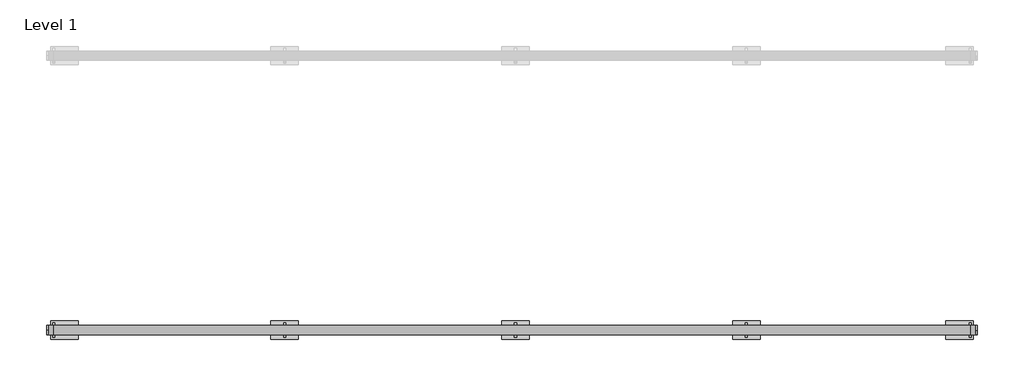
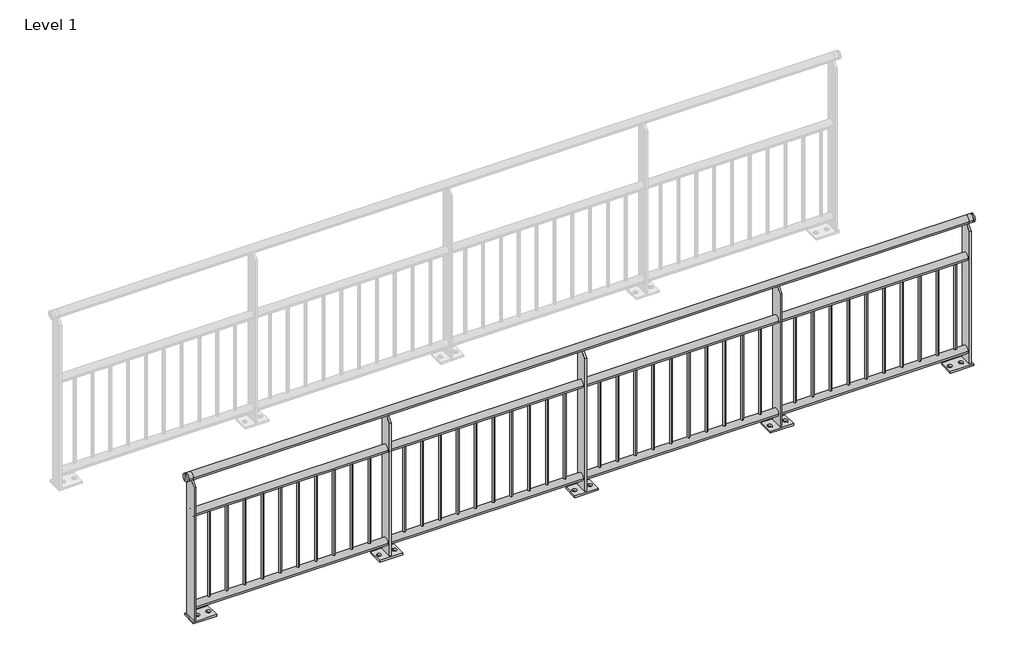
# One storey, part 4 of 20: 1 railing.
"""IFC4 building model written with IfcOpenShell, lengths in millimetres."""

from ifc_helpers import new_model, si_unit, point, frame, frame_2d, origin, origin_with_axes, place, context, project, spatial, polyline, circle_curve, trimmed, segment, composite_curve, outline, extrude, element, save
from ifc_brep_helpers import plane_surface, cylinder_surface, advanced_brep

model = new_model("IFC4")

# Units and contexts
model_context = context("Model", 3, world=origin())
ifc_project = project(units=[si_unit("LENGTHUNIT", "METRE", prefix="MILLI")], contexts=[model_context])

# Site, building, storey
site = spatial("IfcSite", under=ifc_project)
building = spatial("IfcBuilding", under=site)
storey = spatial("IfcBuildingStorey", under=building, Name="Level 1", Elevation=0.0)

# Railing
placement = place(None, origin())
element("IfcRailing", 1, at=placement, inside=storey, context=model_context, shape_type="SolidModel", body=[
    advanced_brep(
    [(7290.6479588, -9450.6318854, 975.0), (7290.6479588, -9450.6318854, 1000.0), (7290.6479588, -9450.6318854, 950.0), (7300.6479588, -9450.6318854, 950.0), (7300.6479588, -9450.6318854, 1000.0), (7300.6479588, -9450.6318854, 975.0)],
    [
        (0, 1),
        (1, 2, circle_curve(frame((7290.6479588, -9450.6318854, 975.0), z_axis=(-1.0, 0.0, 0.0), x_axis=(0.0, 0.0, 1.0)), 25.0)),
        (2, 0),
        (2, 1, circle_curve(frame((7290.6479588, -9450.6318854, 975.0), z_axis=(-1.0, 0.0, 0.0), x_axis=(0.0, 0.0, 1.0)), 25.0)),
        (3, 4, circle_curve(frame((7300.6479588, -9450.6318854, 975.0), z_axis=(1.0, 0.0, 0.0), x_axis=(0.0, 0.0, 1.0)), 25.0)),
        (4, 5),
        (5, 3),
        (4, 3, circle_curve(frame((7300.6479588, -9450.6318854, 975.0), z_axis=(1.0, 0.0, 0.0), x_axis=(0.0, 0.0, 1.0)), 25.0)),
        (1, 4),
        (3, 2),
    ],
    [
        plane_surface(frame((7290.6479588, -9450.6318854, 975.0), z_axis=(-1.0, 0.0, 0.0), x_axis=(0.0, 0.0, 1.0))),
        plane_surface(frame((7300.6479588, -9450.6318854, 975.0), z_axis=(1.0, 0.0, 0.0), x_axis=(0.0, 0.0, 1.0))),
        cylinder_surface(frame((7275.6479588, -9450.6318854, 975.0), z_axis=(-1.0, 0.0, 0.0), x_axis=(0.0, 0.0, 1.0)), 25.0),
    ],
    [
        (0, [[1, 2, 3]]),
        (0, [[-3, 4, -1]]),
        (1, [[5, 6, 7]]),
        (1, [[8, -7, -6]]),
        (2, [[-2, 9, -5, 10]]),
        (2, [[-4, -10, -8, -9]]),
    ],
),
    advanced_brep(
    [(2229.1925079, -9450.6318854, 975.0), (2229.1925079, -9450.6318854, 1000.0), (2229.1925079, -9450.6318854, 950.0), (2219.1925079, -9450.6318854, 950.0), (2219.1925079, -9450.6318854, 1000.0), (2219.1925079, -9450.6318854, 975.0)],
    [
        (0, 1),
        (1, 2, circle_curve(frame((2229.1925079, -9450.6318854, 975.0), z_axis=(1.0, 0.0, 0.0), x_axis=(0.0, 0.0, 1.0)), 25.0)),
        (2, 0),
        (2, 1, circle_curve(frame((2229.1925079, -9450.6318854, 975.0), z_axis=(1.0, 0.0, 0.0), x_axis=(0.0, 0.0, 1.0)), 25.0)),
        (3, 4, circle_curve(frame((2219.1925079, -9450.6318854, 975.0), z_axis=(-1.0, 0.0, 0.0), x_axis=(0.0, 0.0, 1.0)), 25.0)),
        (4, 5),
        (5, 3),
        (4, 3, circle_curve(frame((2219.1925079, -9450.6318854, 975.0), z_axis=(-1.0, 0.0, 0.0), x_axis=(0.0, 0.0, 1.0)), 25.0)),
        (1, 4),
        (3, 2),
    ],
    [
        plane_surface(frame((2229.1925079, -9450.6318854, 975.0), z_axis=(1.0, 0.0, 0.0), x_axis=(0.0, 0.0, 1.0))),
        plane_surface(frame((2219.1925079, -9450.6318854, 975.0), z_axis=(-1.0, 0.0, 0.0), x_axis=(0.0, 0.0, 1.0))),
        cylinder_surface(frame((2244.1925079, -9450.6318854, 975.0), z_axis=(1.0, 0.0, 0.0), x_axis=(0.0, 0.0, 1.0)), 25.0),
    ],
    [
        (0, [[1, 2, 3]]),
        (0, [[-3, 4, -1]]),
        (1, [[5, 6, 7]]),
        (1, [[8, -7, -6]]),
        (2, [[-2, 9, -5, 10]]),
        (2, [[-4, -10, -8, -9]]),
    ],
),
    advanced_brep(
    [(2259.1925079, -9425.6318854, 975.0), (2259.1925079, -9475.6318854, 975.0), (7260.6479588, -9475.6318854, 975.0), (7260.6479588, -9425.6318854, 975.0), (2229.1925079, -9475.6318854, 975.0), (2229.1925079, -9425.6318854, 975.0), (7290.6479588, -9475.6318854, 975.0), (7290.6479588, -9425.6318854, 975.0)],
    [
        (0, 1, circle_curve(frame((2259.1925079, -9450.6318854, 975.0), z_axis=(1.0, 0.0, 0.0), x_axis=(0.0, 1.0, 0.0)), 25.0)),
        (1, 2),
        (2, 3, circle_curve(frame((7260.6479588, -9450.6318854, 975.0), z_axis=(-1.0, 0.0, 0.0), x_axis=(0.0, 1.0, 0.0)), 25.0)),
        (3, 0),
        (1, 0, circle_curve(frame((2259.1925079, -9450.6318854, 975.0), z_axis=(1.0, 0.0, 0.0), x_axis=(0.0, 1.0, 0.0)), 25.0)),
        (3, 2, circle_curve(frame((7260.6479588, -9450.6318854, 975.0), z_axis=(-1.0, 0.0, 0.0), x_axis=(0.0, 1.0, 0.0)), 25.0)),
        (4, 5, circle_curve(frame((2229.1925079, -9450.6318854, 975.0), z_axis=(-1.0, 0.0, 0.0), x_axis=(0.0, 1.0, 0.0)), 25.0)),
        (5, 4, circle_curve(frame((2229.1925079, -9450.6318854, 975.0), z_axis=(-1.0, 0.0, 0.0), x_axis=(0.0, 1.0, 0.0)), 25.0)),
        (4, 1),
        (0, 5),
        (6, 7, circle_curve(frame((7290.6479588, -9450.6318854, 975.0), z_axis=(1.0, 0.0, 0.0), x_axis=(0.0, 1.0, 0.0)), 25.0)),
        (7, 6, circle_curve(frame((7290.6479588, -9450.6318854, 975.0), z_axis=(1.0, 0.0, 0.0), x_axis=(0.0, 1.0, 0.0)), 25.0)),
        (2, 6),
        (7, 3),
    ],
    [
        cylinder_surface(frame((2259.1925079, -9450.6318854, 975.0), z_axis=(-1.0, 0.0, 0.0), x_axis=(0.0, 1.0, 0.0)), 25.0),
        plane_surface(frame((2229.1925079, -9450.6318854, 1000.0), z_axis=(-1.0, 0.0, 0.0), x_axis=(0.0, 1.0, 0.0))),
        cylinder_surface(frame((2229.1925079, -9450.6318854, 975.0), z_axis=(-1.0, 0.0, 0.0), x_axis=(0.0, 1.0, 0.0)), 25.0),
        plane_surface(frame((7290.6479588, -9450.6318854, 1000.0), z_axis=(1.0, 0.0, 0.0), x_axis=(0.0, 1.0, 0.0))),
        cylinder_surface(frame((7260.6479588, -9450.6318854, 975.0), z_axis=(-1.0, 0.0, 0.0), x_axis=(0.0, 1.0, 0.0)), 25.0),
    ],
    [
        (0, [[1, 2, 3, 4]]),
        (0, [[5, -4, 6, -2]]),
        (1, [[7, 8]]),
        (2, [[-7, 9, -1, 10]]),
        (2, [[-8, -10, -5, -9]]),
        (3, [[11, 12]]),
        (4, [[-3, 13, -12, 14]]),
        (4, [[-6, -14, -11, -13]]),
    ],
),
    extrude(outline(composite_curve([segment(trimmed(circle_curve(frame_2d((-9450.6318854, 725.0)), 25.0), [point((-9425.6318854, 725.0))], [point((-9475.6318854, 725.0))], False, "CARTESIAN"), True, "CONTINUOUS"), segment(trimmed(circle_curve(frame_2d((-9450.6318854, 725.0)), 25.0), [point((-9475.6318854, 725.0))], [point((-9425.6318854, 725.0))], False, "CARTESIAN"), True, "CONTINUOUS")], self_intersect=False)), frame((2259.1925079, 0.0, 0.0), z_axis=(1.0, 0.0, 0.0), x_axis=(0.0, 1.0, 0.0)), (0.0, 0.0, 1.0), 5001.4554508),
    extrude(outline(composite_curve([segment(trimmed(circle_curve(frame_2d((-9450.6318854, 90.0)), 25.0), [point((-9425.6318854, 90.0))], [point((-9475.6318854, 90.0))], False, "CARTESIAN"), True, "CONTINUOUS"), segment(trimmed(circle_curve(frame_2d((-9450.6318854, 90.0)), 25.0), [point((-9475.6318854, 90.0))], [point((-9425.6318854, 90.0))], False, "CARTESIAN"), True, "CONTINUOUS")], self_intersect=False)), frame((2259.1925079, 0.0, 0.0), z_axis=(1.0, 0.0, 0.0), x_axis=(0.0, 1.0, 0.0)), (0.0, 0.0, 1.0), 5001.4554508),
    extrude(outline(composite_curve([segment(trimmed(circle_curve(frame_2d((7186.6925079, -9450.6318854)), 7.5), [point((7186.6925079, -9443.1318854))], [point((7186.6925079, -9458.1318854))], False, "CARTESIAN"), True, "CONTINUOUS"), segment(trimmed(circle_curve(frame_2d((7186.6925079, -9450.6318854)), 7.5), [point((7186.6925079, -9458.1318854))], [point((7186.6925079, -9443.1318854))], False, "CARTESIAN"), True, "CONTINUOUS")], self_intersect=False)), frame((0.0, 0.0, 115.0), z_axis=(0.0, 0.0, 1.0), x_axis=(1.0, 0.0, 0.0)), (0.0, 0.0, 1.0), 585.0),
    extrude(outline(composite_curve([segment(trimmed(circle_curve(frame_2d((7071.6925079, -9450.6318854)), 7.5), [point((7071.6925079, -9443.1318854))], [point((7071.6925079, -9458.1318854))], False, "CARTESIAN"), True, "CONTINUOUS"), segment(trimmed(circle_curve(frame_2d((7071.6925079, -9450.6318854)), 7.5), [point((7071.6925079, -9458.1318854))], [point((7071.6925079, -9443.1318854))], False, "CARTESIAN"), True, "CONTINUOUS")], self_intersect=False)), frame((0.0, 0.0, 115.0), z_axis=(0.0, 0.0, 1.0), x_axis=(1.0, 0.0, 0.0)), (0.0, 0.0, 1.0), 585.0),
    extrude(outline(composite_curve([segment(trimmed(circle_curve(frame_2d((6956.6925079, -9450.6318854)), 7.5), [point((6956.6925079, -9443.1318854))], [point((6956.6925079, -9458.1318854))], False, "CARTESIAN"), True, "CONTINUOUS"), segment(trimmed(circle_curve(frame_2d((6956.6925079, -9450.6318854)), 7.5), [point((6956.6925079, -9458.1318854))], [point((6956.6925079, -9443.1318854))], False, "CARTESIAN"), True, "CONTINUOUS")], self_intersect=False)), frame((0.0, 0.0, 115.0), z_axis=(0.0, 0.0, 1.0), x_axis=(1.0, 0.0, 0.0)), (0.0, 0.0, 1.0), 585.0),
    extrude(outline(composite_curve([segment(trimmed(circle_curve(frame_2d((6841.6925079, -9450.6318854)), 7.5), [point((6841.6925079, -9443.1318854))], [point((6841.6925079, -9458.1318854))], False, "CARTESIAN"), True, "CONTINUOUS"), segment(trimmed(circle_curve(frame_2d((6841.6925079, -9450.6318854)), 7.5), [point((6841.6925079, -9458.1318854))], [point((6841.6925079, -9443.1318854))], False, "CARTESIAN"), True, "CONTINUOUS")], self_intersect=False)), frame((0.0, 0.0, 115.0), z_axis=(0.0, 0.0, 1.0), x_axis=(1.0, 0.0, 0.0)), (0.0, 0.0, 1.0), 585.0),
    extrude(outline(composite_curve([segment(trimmed(circle_curve(frame_2d((6726.6925079, -9450.6318854)), 7.5), [point((6726.6925079, -9443.1318854))], [point((6726.6925079, -9458.1318854))], False, "CARTESIAN"), True, "CONTINUOUS"), segment(trimmed(circle_curve(frame_2d((6726.6925079, -9450.6318854)), 7.5), [point((6726.6925079, -9458.1318854))], [point((6726.6925079, -9443.1318854))], False, "CARTESIAN"), True, "CONTINUOUS")], self_intersect=False)), frame((0.0, 0.0, 115.0), z_axis=(0.0, 0.0, 1.0), x_axis=(1.0, 0.0, 0.0)), (0.0, 0.0, 1.0), 585.0),
    extrude(outline(composite_curve([segment(trimmed(circle_curve(frame_2d((6611.6925079, -9450.6318854)), 7.5), [point((6611.6925079, -9443.1318854))], [point((6611.6925079, -9458.1318854))], False, "CARTESIAN"), True, "CONTINUOUS"), segment(trimmed(circle_curve(frame_2d((6611.6925079, -9450.6318854)), 7.5), [point((6611.6925079, -9458.1318854))], [point((6611.6925079, -9443.1318854))], False, "CARTESIAN"), True, "CONTINUOUS")], self_intersect=False)), frame((0.0, 0.0, 115.0), z_axis=(0.0, 0.0, 1.0), x_axis=(1.0, 0.0, 0.0)), (0.0, 0.0, 1.0), 585.0),
    extrude(outline(composite_curve([segment(trimmed(circle_curve(frame_2d((6496.6925079, -9450.6318854)), 7.5), [point((6496.6925079, -9443.1318854))], [point((6496.6925079, -9458.1318854))], False, "CARTESIAN"), True, "CONTINUOUS"), segment(trimmed(circle_curve(frame_2d((6496.6925079, -9450.6318854)), 7.5), [point((6496.6925079, -9458.1318854))], [point((6496.6925079, -9443.1318854))], False, "CARTESIAN"), True, "CONTINUOUS")], self_intersect=False)), frame((0.0, 0.0, 115.0), z_axis=(0.0, 0.0, 1.0), x_axis=(1.0, 0.0, 0.0)), (0.0, 0.0, 1.0), 585.0),
    extrude(outline(composite_curve([segment(trimmed(circle_curve(frame_2d((6381.6925079, -9450.6318854)), 7.5), [point((6381.6925079, -9443.1318854))], [point((6381.6925079, -9458.1318854))], False, "CARTESIAN"), True, "CONTINUOUS"), segment(trimmed(circle_curve(frame_2d((6381.6925079, -9450.6318854)), 7.5), [point((6381.6925079, -9458.1318854))], [point((6381.6925079, -9443.1318854))], False, "CARTESIAN"), True, "CONTINUOUS")], self_intersect=False)), frame((0.0, 0.0, 115.0), z_axis=(0.0, 0.0, 1.0), x_axis=(1.0, 0.0, 0.0)), (0.0, 0.0, 1.0), 585.0),
    extrude(outline(composite_curve([segment(trimmed(circle_curve(frame_2d((6266.6925079, -9450.6318854)), 7.5), [point((6266.6925079, -9443.1318854))], [point((6266.6925079, -9458.1318854))], False, "CARTESIAN"), True, "CONTINUOUS"), segment(trimmed(circle_curve(frame_2d((6266.6925079, -9450.6318854)), 7.5), [point((6266.6925079, -9458.1318854))], [point((6266.6925079, -9443.1318854))], False, "CARTESIAN"), True, "CONTINUOUS")], self_intersect=False)), frame((0.0, 0.0, 115.0), z_axis=(0.0, 0.0, 1.0), x_axis=(1.0, 0.0, 0.0)), (0.0, 0.0, 1.0), 585.0),
    extrude(outline(composite_curve([segment(trimmed(circle_curve(frame_2d((6151.6925079, -9450.6318854)), 7.5), [point((6151.6925079, -9443.1318854))], [point((6151.6925079, -9458.1318854))], False, "CARTESIAN"), True, "CONTINUOUS"), segment(trimmed(circle_curve(frame_2d((6151.6925079, -9450.6318854)), 7.5), [point((6151.6925079, -9458.1318854))], [point((6151.6925079, -9443.1318854))], False, "CARTESIAN"), True, "CONTINUOUS")], self_intersect=False)), frame((0.0, 0.0, 115.0), z_axis=(0.0, 0.0, 1.0), x_axis=(1.0, 0.0, 0.0)), (0.0, 0.0, 1.0), 585.0),
    extrude(outline(polyline([(-9410.6318854, 12.0), (-9490.6318854, 12.0), (-9490.6318854, 917.5), (-9458.1318854, 950.0), (-9443.1318854, 950.0), (-9410.6318854, 917.5), (-9410.6318854, 12.0)])), frame((6033.1925079, 0.0, 0.0), z_axis=(1.0, 0.0, 0.0), x_axis=(0.0, 1.0, 0.0)), (0.0, 0.0, 1.0), 12.0),
    extrude(outline(polyline([(5964.1925079, -9400.6318854), (6114.1925079, -9400.6318854), (6114.1925079, -9500.6318854), (5964.1925079, -9500.6318854), (5964.1925079, -9400.6318854)]), holes=[composite_curve([segment(trimmed(circle_curve(frame_2d((5989.1925079, -9450.6318854)), 13.5), [point((5989.1925079, -9464.1318854))], [point((5989.1925079, -9437.1318854))], True, "CARTESIAN"), True, "CONTINUOUS"), segment(trimmed(circle_curve(frame_2d((5989.1925079, -9450.6318854)), 13.5), [point((5989.1925079, -9437.1318854))], [point((5989.1925079, -9464.1318854))], True, "CARTESIAN"), True, "CONTINUOUS")], self_intersect=False), composite_curve([segment(trimmed(circle_curve(frame_2d((6089.1925079, -9450.6318854)), 13.5), [point((6089.1925079, -9464.1318854))], [point((6089.1925079, -9437.1318854))], True, "CARTESIAN"), True, "CONTINUOUS"), segment(trimmed(circle_curve(frame_2d((6089.1925079, -9450.6318854)), 13.5), [point((6089.1925079, -9437.1318854))], [point((6089.1925079, -9464.1318854))], True, "CARTESIAN"), True, "CONTINUOUS")], self_intersect=False)]), origin_with_axes(), (0.0, 0.0, 1.0), 12.0),
    extrude(outline(composite_curve([segment(trimmed(circle_curve(frame_2d((5926.6925079, -9450.6318854)), 7.5), [point((5926.6925079, -9443.1318854))], [point((5926.6925079, -9458.1318854))], False, "CARTESIAN"), True, "CONTINUOUS"), segment(trimmed(circle_curve(frame_2d((5926.6925079, -9450.6318854)), 7.5), [point((5926.6925079, -9458.1318854))], [point((5926.6925079, -9443.1318854))], False, "CARTESIAN"), True, "CONTINUOUS")], self_intersect=False)), frame((0.0, 0.0, 115.0), z_axis=(0.0, 0.0, 1.0), x_axis=(1.0, 0.0, 0.0)), (0.0, 0.0, 1.0), 585.0),
    extrude(outline(composite_curve([segment(trimmed(circle_curve(frame_2d((5811.6925079, -9450.6318854)), 7.5), [point((5811.6925079, -9443.1318854))], [point((5811.6925079, -9458.1318854))], False, "CARTESIAN"), True, "CONTINUOUS"), segment(trimmed(circle_curve(frame_2d((5811.6925079, -9450.6318854)), 7.5), [point((5811.6925079, -9458.1318854))], [point((5811.6925079, -9443.1318854))], False, "CARTESIAN"), True, "CONTINUOUS")], self_intersect=False)), frame((0.0, 0.0, 115.0), z_axis=(0.0, 0.0, 1.0), x_axis=(1.0, 0.0, 0.0)), (0.0, 0.0, 1.0), 585.0),
    extrude(outline(composite_curve([segment(trimmed(circle_curve(frame_2d((5696.6925079, -9450.6318854)), 7.5), [point((5696.6925079, -9443.1318854))], [point((5696.6925079, -9458.1318854))], False, "CARTESIAN"), True, "CONTINUOUS"), segment(trimmed(circle_curve(frame_2d((5696.6925079, -9450.6318854)), 7.5), [point((5696.6925079, -9458.1318854))], [point((5696.6925079, -9443.1318854))], False, "CARTESIAN"), True, "CONTINUOUS")], self_intersect=False)), frame((0.0, 0.0, 115.0), z_axis=(0.0, 0.0, 1.0), x_axis=(1.0, 0.0, 0.0)), (0.0, 0.0, 1.0), 585.0),
    extrude(outline(composite_curve([segment(trimmed(circle_curve(frame_2d((5581.6925079, -9450.6318854)), 7.5), [point((5581.6925079, -9443.1318854))], [point((5581.6925079, -9458.1318854))], False, "CARTESIAN"), True, "CONTINUOUS"), segment(trimmed(circle_curve(frame_2d((5581.6925079, -9450.6318854)), 7.5), [point((5581.6925079, -9458.1318854))], [point((5581.6925079, -9443.1318854))], False, "CARTESIAN"), True, "CONTINUOUS")], self_intersect=False)), frame((0.0, 0.0, 115.0), z_axis=(0.0, 0.0, 1.0), x_axis=(1.0, 0.0, 0.0)), (0.0, 0.0, 1.0), 585.0),
    extrude(outline(composite_curve([segment(trimmed(circle_curve(frame_2d((5466.6925079, -9450.6318854)), 7.5), [point((5466.6925079, -9443.1318854))], [point((5466.6925079, -9458.1318854))], False, "CARTESIAN"), True, "CONTINUOUS"), segment(trimmed(circle_curve(frame_2d((5466.6925079, -9450.6318854)), 7.5), [point((5466.6925079, -9458.1318854))], [point((5466.6925079, -9443.1318854))], False, "CARTESIAN"), True, "CONTINUOUS")], self_intersect=False)), frame((0.0, 0.0, 115.0), z_axis=(0.0, 0.0, 1.0), x_axis=(1.0, 0.0, 0.0)), (0.0, 0.0, 1.0), 585.0),
    extrude(outline(composite_curve([segment(trimmed(circle_curve(frame_2d((5351.6925079, -9450.6318854)), 7.5), [point((5351.6925079, -9443.1318854))], [point((5351.6925079, -9458.1318854))], False, "CARTESIAN"), True, "CONTINUOUS"), segment(trimmed(circle_curve(frame_2d((5351.6925079, -9450.6318854)), 7.5), [point((5351.6925079, -9458.1318854))], [point((5351.6925079, -9443.1318854))], False, "CARTESIAN"), True, "CONTINUOUS")], self_intersect=False)), frame((0.0, 0.0, 115.0), z_axis=(0.0, 0.0, 1.0), x_axis=(1.0, 0.0, 0.0)), (0.0, 0.0, 1.0), 585.0),
    extrude(outline(composite_curve([segment(trimmed(circle_curve(frame_2d((5236.6925079, -9450.6318854)), 7.5), [point((5236.6925079, -9443.1318854))], [point((5236.6925079, -9458.1318854))], False, "CARTESIAN"), True, "CONTINUOUS"), segment(trimmed(circle_curve(frame_2d((5236.6925079, -9450.6318854)), 7.5), [point((5236.6925079, -9458.1318854))], [point((5236.6925079, -9443.1318854))], False, "CARTESIAN"), True, "CONTINUOUS")], self_intersect=False)), frame((0.0, 0.0, 115.0), z_axis=(0.0, 0.0, 1.0), x_axis=(1.0, 0.0, 0.0)), (0.0, 0.0, 1.0), 585.0),
    extrude(outline(composite_curve([segment(trimmed(circle_curve(frame_2d((5121.6925079, -9450.6318854)), 7.5), [point((5121.6925079, -9443.1318854))], [point((5121.6925079, -9458.1318854))], False, "CARTESIAN"), True, "CONTINUOUS"), segment(trimmed(circle_curve(frame_2d((5121.6925079, -9450.6318854)), 7.5), [point((5121.6925079, -9458.1318854))], [point((5121.6925079, -9443.1318854))], False, "CARTESIAN"), True, "CONTINUOUS")], self_intersect=False)), frame((0.0, 0.0, 115.0), z_axis=(0.0, 0.0, 1.0), x_axis=(1.0, 0.0, 0.0)), (0.0, 0.0, 1.0), 585.0),
    extrude(outline(composite_curve([segment(trimmed(circle_curve(frame_2d((5006.6925079, -9450.6318854)), 7.5), [point((5006.6925079, -9443.1318854))], [point((5006.6925079, -9458.1318854))], False, "CARTESIAN"), True, "CONTINUOUS"), segment(trimmed(circle_curve(frame_2d((5006.6925079, -9450.6318854)), 7.5), [point((5006.6925079, -9458.1318854))], [point((5006.6925079, -9443.1318854))], False, "CARTESIAN"), True, "CONTINUOUS")], self_intersect=False)), frame((0.0, 0.0, 115.0), z_axis=(0.0, 0.0, 1.0), x_axis=(1.0, 0.0, 0.0)), (0.0, 0.0, 1.0), 585.0),
    extrude(outline(composite_curve([segment(trimmed(circle_curve(frame_2d((4891.6925079, -9450.6318854)), 7.5), [point((4891.6925079, -9443.1318854))], [point((4891.6925079, -9458.1318854))], False, "CARTESIAN"), True, "CONTINUOUS"), segment(trimmed(circle_curve(frame_2d((4891.6925079, -9450.6318854)), 7.5), [point((4891.6925079, -9458.1318854))], [point((4891.6925079, -9443.1318854))], False, "CARTESIAN"), True, "CONTINUOUS")], self_intersect=False)), frame((0.0, 0.0, 115.0), z_axis=(0.0, 0.0, 1.0), x_axis=(1.0, 0.0, 0.0)), (0.0, 0.0, 1.0), 585.0),
    extrude(outline(polyline([(-9410.6318854, 12.0), (-9490.6318854, 12.0), (-9490.6318854, 917.5), (-9458.1318854, 950.0), (-9443.1318854, 950.0), (-9410.6318854, 917.5), (-9410.6318854, 12.0)])), frame((4773.1925079, 0.0, 0.0), z_axis=(1.0, 0.0, 0.0), x_axis=(0.0, 1.0, 0.0)), (0.0, 0.0, 1.0), 12.0),
    extrude(outline(polyline([(4704.1925079, -9400.6318854), (4854.1925079, -9400.6318854), (4854.1925079, -9500.6318854), (4704.1925079, -9500.6318854), (4704.1925079, -9400.6318854)]), holes=[composite_curve([segment(trimmed(circle_curve(frame_2d((4729.1925079, -9450.6318854)), 13.5), [point((4729.1925079, -9464.1318854))], [point((4729.1925079, -9437.1318854))], True, "CARTESIAN"), True, "CONTINUOUS"), segment(trimmed(circle_curve(frame_2d((4729.1925079, -9450.6318854)), 13.5), [point((4729.1925079, -9437.1318854))], [point((4729.1925079, -9464.1318854))], True, "CARTESIAN"), True, "CONTINUOUS")], self_intersect=False), composite_curve([segment(trimmed(circle_curve(frame_2d((4829.1925079, -9450.6318854)), 13.5), [point((4829.1925079, -9464.1318854))], [point((4829.1925079, -9437.1318854))], True, "CARTESIAN"), True, "CONTINUOUS"), segment(trimmed(circle_curve(frame_2d((4829.1925079, -9450.6318854)), 13.5), [point((4829.1925079, -9437.1318854))], [point((4829.1925079, -9464.1318854))], True, "CARTESIAN"), True, "CONTINUOUS")], self_intersect=False)]), origin_with_axes(), (0.0, 0.0, 1.0), 12.0),
    extrude(outline(composite_curve([segment(trimmed(circle_curve(frame_2d((4666.6925079, -9450.6318854)), 7.5), [point((4666.6925079, -9443.1318854))], [point((4666.6925079, -9458.1318854))], False, "CARTESIAN"), True, "CONTINUOUS"), segment(trimmed(circle_curve(frame_2d((4666.6925079, -9450.6318854)), 7.5), [point((4666.6925079, -9458.1318854))], [point((4666.6925079, -9443.1318854))], False, "CARTESIAN"), True, "CONTINUOUS")], self_intersect=False)), frame((0.0, 0.0, 115.0), z_axis=(0.0, 0.0, 1.0), x_axis=(1.0, 0.0, 0.0)), (0.0, 0.0, 1.0), 585.0),
    extrude(outline(composite_curve([segment(trimmed(circle_curve(frame_2d((4551.6925079, -9450.6318854)), 7.5), [point((4551.6925079, -9443.1318854))], [point((4551.6925079, -9458.1318854))], False, "CARTESIAN"), True, "CONTINUOUS"), segment(trimmed(circle_curve(frame_2d((4551.6925079, -9450.6318854)), 7.5), [point((4551.6925079, -9458.1318854))], [point((4551.6925079, -9443.1318854))], False, "CARTESIAN"), True, "CONTINUOUS")], self_intersect=False)), frame((0.0, 0.0, 115.0), z_axis=(0.0, 0.0, 1.0), x_axis=(1.0, 0.0, 0.0)), (0.0, 0.0, 1.0), 585.0),
    extrude(outline(composite_curve([segment(trimmed(circle_curve(frame_2d((4436.6925079, -9450.6318854)), 7.5), [point((4436.6925079, -9443.1318854))], [point((4436.6925079, -9458.1318854))], False, "CARTESIAN"), True, "CONTINUOUS"), segment(trimmed(circle_curve(frame_2d((4436.6925079, -9450.6318854)), 7.5), [point((4436.6925079, -9458.1318854))], [point((4436.6925079, -9443.1318854))], False, "CARTESIAN"), True, "CONTINUOUS")], self_intersect=False)), frame((0.0, 0.0, 115.0), z_axis=(0.0, 0.0, 1.0), x_axis=(1.0, 0.0, 0.0)), (0.0, 0.0, 1.0), 585.0),
    extrude(outline(composite_curve([segment(trimmed(circle_curve(frame_2d((4321.6925079, -9450.6318854)), 7.5), [point((4321.6925079, -9443.1318854))], [point((4321.6925079, -9458.1318854))], False, "CARTESIAN"), True, "CONTINUOUS"), segment(trimmed(circle_curve(frame_2d((4321.6925079, -9450.6318854)), 7.5), [point((4321.6925079, -9458.1318854))], [point((4321.6925079, -9443.1318854))], False, "CARTESIAN"), True, "CONTINUOUS")], self_intersect=False)), frame((0.0, 0.0, 115.0), z_axis=(0.0, 0.0, 1.0), x_axis=(1.0, 0.0, 0.0)), (0.0, 0.0, 1.0), 585.0),
    extrude(outline(composite_curve([segment(trimmed(circle_curve(frame_2d((4206.6925079, -9450.6318854)), 7.5), [point((4206.6925079, -9443.1318854))], [point((4206.6925079, -9458.1318854))], False, "CARTESIAN"), True, "CONTINUOUS"), segment(trimmed(circle_curve(frame_2d((4206.6925079, -9450.6318854)), 7.5), [point((4206.6925079, -9458.1318854))], [point((4206.6925079, -9443.1318854))], False, "CARTESIAN"), True, "CONTINUOUS")], self_intersect=False)), frame((0.0, 0.0, 115.0), z_axis=(0.0, 0.0, 1.0), x_axis=(1.0, 0.0, 0.0)), (0.0, 0.0, 1.0), 585.0),
    extrude(outline(composite_curve([segment(trimmed(circle_curve(frame_2d((4091.6925079, -9450.6318854)), 7.5), [point((4091.6925079, -9443.1318854))], [point((4091.6925079, -9458.1318854))], False, "CARTESIAN"), True, "CONTINUOUS"), segment(trimmed(circle_curve(frame_2d((4091.6925079, -9450.6318854)), 7.5), [point((4091.6925079, -9458.1318854))], [point((4091.6925079, -9443.1318854))], False, "CARTESIAN"), True, "CONTINUOUS")], self_intersect=False)), frame((0.0, 0.0, 115.0), z_axis=(0.0, 0.0, 1.0), x_axis=(1.0, 0.0, 0.0)), (0.0, 0.0, 1.0), 585.0),
    extrude(outline(composite_curve([segment(trimmed(circle_curve(frame_2d((3976.6925079, -9450.6318854)), 7.5), [point((3976.6925079, -9443.1318854))], [point((3976.6925079, -9458.1318854))], False, "CARTESIAN"), True, "CONTINUOUS"), segment(trimmed(circle_curve(frame_2d((3976.6925079, -9450.6318854)), 7.5), [point((3976.6925079, -9458.1318854))], [point((3976.6925079, -9443.1318854))], False, "CARTESIAN"), True, "CONTINUOUS")], self_intersect=False)), frame((0.0, 0.0, 115.0), z_axis=(0.0, 0.0, 1.0), x_axis=(1.0, 0.0, 0.0)), (0.0, 0.0, 1.0), 585.0),
    extrude(outline(composite_curve([segment(trimmed(circle_curve(frame_2d((3861.6925079, -9450.6318854)), 7.5), [point((3861.6925079, -9443.1318854))], [point((3861.6925079, -9458.1318854))], False, "CARTESIAN"), True, "CONTINUOUS"), segment(trimmed(circle_curve(frame_2d((3861.6925079, -9450.6318854)), 7.5), [point((3861.6925079, -9458.1318854))], [point((3861.6925079, -9443.1318854))], False, "CARTESIAN"), True, "CONTINUOUS")], self_intersect=False)), frame((0.0, 0.0, 115.0), z_axis=(0.0, 0.0, 1.0), x_axis=(1.0, 0.0, 0.0)), (0.0, 0.0, 1.0), 585.0),
    extrude(outline(composite_curve([segment(trimmed(circle_curve(frame_2d((3746.6925079, -9450.6318854)), 7.5), [point((3746.6925079, -9443.1318854))], [point((3746.6925079, -9458.1318854))], False, "CARTESIAN"), True, "CONTINUOUS"), segment(trimmed(circle_curve(frame_2d((3746.6925079, -9450.6318854)), 7.5), [point((3746.6925079, -9458.1318854))], [point((3746.6925079, -9443.1318854))], False, "CARTESIAN"), True, "CONTINUOUS")], self_intersect=False)), frame((0.0, 0.0, 115.0), z_axis=(0.0, 0.0, 1.0), x_axis=(1.0, 0.0, 0.0)), (0.0, 0.0, 1.0), 585.0),
    extrude(outline(composite_curve([segment(trimmed(circle_curve(frame_2d((3631.6925079, -9450.6318854)), 7.5), [point((3631.6925079, -9443.1318854))], [point((3631.6925079, -9458.1318854))], False, "CARTESIAN"), True, "CONTINUOUS"), segment(trimmed(circle_curve(frame_2d((3631.6925079, -9450.6318854)), 7.5), [point((3631.6925079, -9458.1318854))], [point((3631.6925079, -9443.1318854))], False, "CARTESIAN"), True, "CONTINUOUS")], self_intersect=False)), frame((0.0, 0.0, 115.0), z_axis=(0.0, 0.0, 1.0), x_axis=(1.0, 0.0, 0.0)), (0.0, 0.0, 1.0), 585.0),
    extrude(outline(polyline([(-9410.6318854, 12.0), (-9490.6318854, 12.0), (-9490.6318854, 917.5), (-9458.1318854, 950.0), (-9443.1318854, 950.0), (-9410.6318854, 917.5), (-9410.6318854, 12.0)])), frame((3513.1925079, 0.0, 0.0), z_axis=(1.0, 0.0, 0.0), x_axis=(0.0, 1.0, 0.0)), (0.0, 0.0, 1.0), 12.0),
    extrude(outline(polyline([(3444.1925079, -9400.6318854), (3594.1925079, -9400.6318854), (3594.1925079, -9500.6318854), (3444.1925079, -9500.6318854), (3444.1925079, -9400.6318854)]), holes=[composite_curve([segment(trimmed(circle_curve(frame_2d((3469.1925079, -9450.6318854)), 13.5), [point((3469.1925079, -9464.1318854))], [point((3469.1925079, -9437.1318854))], True, "CARTESIAN"), True, "CONTINUOUS"), segment(trimmed(circle_curve(frame_2d((3469.1925079, -9450.6318854)), 13.5), [point((3469.1925079, -9437.1318854))], [point((3469.1925079, -9464.1318854))], True, "CARTESIAN"), True, "CONTINUOUS")], self_intersect=False), composite_curve([segment(trimmed(circle_curve(frame_2d((3569.1925079, -9450.6318854)), 13.5), [point((3569.1925079, -9464.1318854))], [point((3569.1925079, -9437.1318854))], True, "CARTESIAN"), True, "CONTINUOUS"), segment(trimmed(circle_curve(frame_2d((3569.1925079, -9450.6318854)), 13.5), [point((3569.1925079, -9437.1318854))], [point((3569.1925079, -9464.1318854))], True, "CARTESIAN"), True, "CONTINUOUS")], self_intersect=False)]), origin_with_axes(), (0.0, 0.0, 1.0), 12.0),
    extrude(outline(composite_curve([segment(trimmed(circle_curve(frame_2d((3406.6925079, -9450.6318854)), 7.5), [point((3406.6925079, -9443.1318854))], [point((3406.6925079, -9458.1318854))], False, "CARTESIAN"), True, "CONTINUOUS"), segment(trimmed(circle_curve(frame_2d((3406.6925079, -9450.6318854)), 7.5), [point((3406.6925079, -9458.1318854))], [point((3406.6925079, -9443.1318854))], False, "CARTESIAN"), True, "CONTINUOUS")], self_intersect=False)), frame((0.0, 0.0, 115.0), z_axis=(0.0, 0.0, 1.0), x_axis=(1.0, 0.0, 0.0)), (0.0, 0.0, 1.0), 585.0),
    extrude(outline(composite_curve([segment(trimmed(circle_curve(frame_2d((3291.6925079, -9450.6318854)), 7.5), [point((3291.6925079, -9443.1318854))], [point((3291.6925079, -9458.1318854))], False, "CARTESIAN"), True, "CONTINUOUS"), segment(trimmed(circle_curve(frame_2d((3291.6925079, -9450.6318854)), 7.5), [point((3291.6925079, -9458.1318854))], [point((3291.6925079, -9443.1318854))], False, "CARTESIAN"), True, "CONTINUOUS")], self_intersect=False)), frame((0.0, 0.0, 115.0), z_axis=(0.0, 0.0, 1.0), x_axis=(1.0, 0.0, 0.0)), (0.0, 0.0, 1.0), 585.0),
    extrude(outline(composite_curve([segment(trimmed(circle_curve(frame_2d((3176.6925079, -9450.6318854)), 7.5), [point((3176.6925079, -9443.1318854))], [point((3176.6925079, -9458.1318854))], False, "CARTESIAN"), True, "CONTINUOUS"), segment(trimmed(circle_curve(frame_2d((3176.6925079, -9450.6318854)), 7.5), [point((3176.6925079, -9458.1318854))], [point((3176.6925079, -9443.1318854))], False, "CARTESIAN"), True, "CONTINUOUS")], self_intersect=False)), frame((0.0, 0.0, 115.0), z_axis=(0.0, 0.0, 1.0), x_axis=(1.0, 0.0, 0.0)), (0.0, 0.0, 1.0), 585.0),
    extrude(outline(composite_curve([segment(trimmed(circle_curve(frame_2d((3061.6925079, -9450.6318854)), 7.5), [point((3061.6925079, -9443.1318854))], [point((3061.6925079, -9458.1318854))], False, "CARTESIAN"), True, "CONTINUOUS"), segment(trimmed(circle_curve(frame_2d((3061.6925079, -9450.6318854)), 7.5), [point((3061.6925079, -9458.1318854))], [point((3061.6925079, -9443.1318854))], False, "CARTESIAN"), True, "CONTINUOUS")], self_intersect=False)), frame((0.0, 0.0, 115.0), z_axis=(0.0, 0.0, 1.0), x_axis=(1.0, 0.0, 0.0)), (0.0, 0.0, 1.0), 585.0),
    extrude(outline(composite_curve([segment(trimmed(circle_curve(frame_2d((2946.6925079, -9450.6318854)), 7.5), [point((2946.6925079, -9443.1318854))], [point((2946.6925079, -9458.1318854))], False, "CARTESIAN"), True, "CONTINUOUS"), segment(trimmed(circle_curve(frame_2d((2946.6925079, -9450.6318854)), 7.5), [point((2946.6925079, -9458.1318854))], [point((2946.6925079, -9443.1318854))], False, "CARTESIAN"), True, "CONTINUOUS")], self_intersect=False)), frame((0.0, 0.0, 115.0), z_axis=(0.0, 0.0, 1.0), x_axis=(1.0, 0.0, 0.0)), (0.0, 0.0, 1.0), 585.0),
    extrude(outline(composite_curve([segment(trimmed(circle_curve(frame_2d((2831.6925079, -9450.6318854)), 7.5), [point((2831.6925079, -9443.1318854))], [point((2831.6925079, -9458.1318854))], False, "CARTESIAN"), True, "CONTINUOUS"), segment(trimmed(circle_curve(frame_2d((2831.6925079, -9450.6318854)), 7.5), [point((2831.6925079, -9458.1318854))], [point((2831.6925079, -9443.1318854))], False, "CARTESIAN"), True, "CONTINUOUS")], self_intersect=False)), frame((0.0, 0.0, 115.0), z_axis=(0.0, 0.0, 1.0), x_axis=(1.0, 0.0, 0.0)), (0.0, 0.0, 1.0), 585.0),
    extrude(outline(composite_curve([segment(trimmed(circle_curve(frame_2d((2716.6925079, -9450.6318854)), 7.5), [point((2716.6925079, -9443.1318854))], [point((2716.6925079, -9458.1318854))], False, "CARTESIAN"), True, "CONTINUOUS"), segment(trimmed(circle_curve(frame_2d((2716.6925079, -9450.6318854)), 7.5), [point((2716.6925079, -9458.1318854))], [point((2716.6925079, -9443.1318854))], False, "CARTESIAN"), True, "CONTINUOUS")], self_intersect=False)), frame((0.0, 0.0, 115.0), z_axis=(0.0, 0.0, 1.0), x_axis=(1.0, 0.0, 0.0)), (0.0, 0.0, 1.0), 585.0),
    extrude(outline(composite_curve([segment(trimmed(circle_curve(frame_2d((2601.6925079, -9450.6318854)), 7.5), [point((2601.6925079, -9443.1318854))], [point((2601.6925079, -9458.1318854))], False, "CARTESIAN"), True, "CONTINUOUS"), segment(trimmed(circle_curve(frame_2d((2601.6925079, -9450.6318854)), 7.5), [point((2601.6925079, -9458.1318854))], [point((2601.6925079, -9443.1318854))], False, "CARTESIAN"), True, "CONTINUOUS")], self_intersect=False)), frame((0.0, 0.0, 115.0), z_axis=(0.0, 0.0, 1.0), x_axis=(1.0, 0.0, 0.0)), (0.0, 0.0, 1.0), 585.0),
    extrude(outline(composite_curve([segment(trimmed(circle_curve(frame_2d((2486.6925079, -9450.6318854)), 7.5), [point((2486.6925079, -9443.1318854))], [point((2486.6925079, -9458.1318854))], False, "CARTESIAN"), True, "CONTINUOUS"), segment(trimmed(circle_curve(frame_2d((2486.6925079, -9450.6318854)), 7.5), [point((2486.6925079, -9458.1318854))], [point((2486.6925079, -9443.1318854))], False, "CARTESIAN"), True, "CONTINUOUS")], self_intersect=False)), frame((0.0, 0.0, 115.0), z_axis=(0.0, 0.0, 1.0), x_axis=(1.0, 0.0, 0.0)), (0.0, 0.0, 1.0), 585.0),
    extrude(outline(composite_curve([segment(trimmed(circle_curve(frame_2d((2371.6925079, -9450.6318854)), 7.5), [point((2371.6925079, -9443.1318854))], [point((2371.6925079, -9458.1318854))], False, "CARTESIAN"), True, "CONTINUOUS"), segment(trimmed(circle_curve(frame_2d((2371.6925079, -9450.6318854)), 7.5), [point((2371.6925079, -9458.1318854))], [point((2371.6925079, -9443.1318854))], False, "CARTESIAN"), True, "CONTINUOUS")], self_intersect=False)), frame((0.0, 0.0, 115.0), z_axis=(0.0, 0.0, 1.0), x_axis=(1.0, 0.0, 0.0)), (0.0, 0.0, 1.0), 585.0),
    extrude(outline(polyline([(-9410.6318854, 12.0), (-9490.6318854, 12.0), (-9490.6318854, 917.5), (-9458.1318854, 950.0), (-9443.1318854, 950.0), (-9410.6318854, 917.5), (-9410.6318854, 12.0)])), frame((7254.6479588, 0.0, 0.0), z_axis=(1.0, 0.0, 0.0), x_axis=(0.0, 1.0, 0.0)), (0.0, 0.0, 1.0), 12.0),
    extrude(outline(polyline([(7126.6479588, -9400.6318854), (7276.6479588, -9400.6318854), (7276.6479588, -9500.6318854), (7126.6479588, -9500.6318854), (7126.6479588, -9400.6318854)]), holes=[composite_curve([segment(trimmed(circle_curve(frame_2d((7151.6479588, -9450.6318854)), 13.5), [point((7151.6479588, -9464.1318854))], [point((7151.6479588, -9437.1318854))], True, "CARTESIAN"), True, "CONTINUOUS"), segment(trimmed(circle_curve(frame_2d((7151.6479588, -9450.6318854)), 13.5), [point((7151.6479588, -9437.1318854))], [point((7151.6479588, -9464.1318854))], True, "CARTESIAN"), True, "CONTINUOUS")], self_intersect=False), composite_curve([segment(trimmed(circle_curve(frame_2d((7221.6479588, -9450.6318854)), 13.5), [point((7221.6479588, -9464.1318854))], [point((7221.6479588, -9437.1318854))], True, "CARTESIAN"), True, "CONTINUOUS"), segment(trimmed(circle_curve(frame_2d((7221.6479588, -9450.6318854)), 13.5), [point((7221.6479588, -9437.1318854))], [point((7221.6479588, -9464.1318854))], True, "CARTESIAN"), True, "CONTINUOUS")], self_intersect=False)]), origin_with_axes(), (0.0, 0.0, 1.0), 12.0),
    extrude(outline(polyline([(-9410.6318854, 12.0), (-9490.6318854, 12.0), (-9490.6318854, 917.5), (-9458.1318854, 950.0), (-9443.1318854, 950.0), (-9410.6318854, 917.5), (-9410.6318854, 12.0)])), frame((2253.1925079, 0.0, 0.0), z_axis=(1.0, 0.0, 0.0), x_axis=(0.0, 1.0, 0.0)), (0.0, 0.0, 1.0), 12.0),
    extrude(outline(polyline([(2243.1925079, -9400.6318854), (2393.1925079, -9400.6318854), (2393.1925079, -9500.6318854), (2243.1925079, -9500.6318854), (2243.1925079, -9400.6318854)]), holes=[composite_curve([segment(trimmed(circle_curve(frame_2d((2298.1925079, -9450.6318854)), 13.5), [point((2298.1925079, -9464.1318854))], [point((2298.1925079, -9437.1318854))], True, "CARTESIAN"), True, "CONTINUOUS"), segment(trimmed(circle_curve(frame_2d((2298.1925079, -9450.6318854)), 13.5), [point((2298.1925079, -9437.1318854))], [point((2298.1925079, -9464.1318854))], True, "CARTESIAN"), True, "CONTINUOUS")], self_intersect=False), composite_curve([segment(trimmed(circle_curve(frame_2d((2368.1925079, -9450.6318854)), 13.5), [point((2368.1925079, -9464.1318854))], [point((2368.1925079, -9437.1318854))], True, "CARTESIAN"), True, "CONTINUOUS"), segment(trimmed(circle_curve(frame_2d((2368.1925079, -9450.6318854)), 13.5), [point((2368.1925079, -9437.1318854))], [point((2368.1925079, -9464.1318854))], True, "CARTESIAN"), True, "CONTINUOUS")], self_intersect=False)]), origin_with_axes(), (0.0, 0.0, 1.0), 12.0),
])

save(model, "model.ifc")
